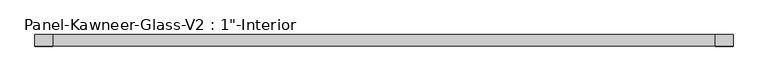
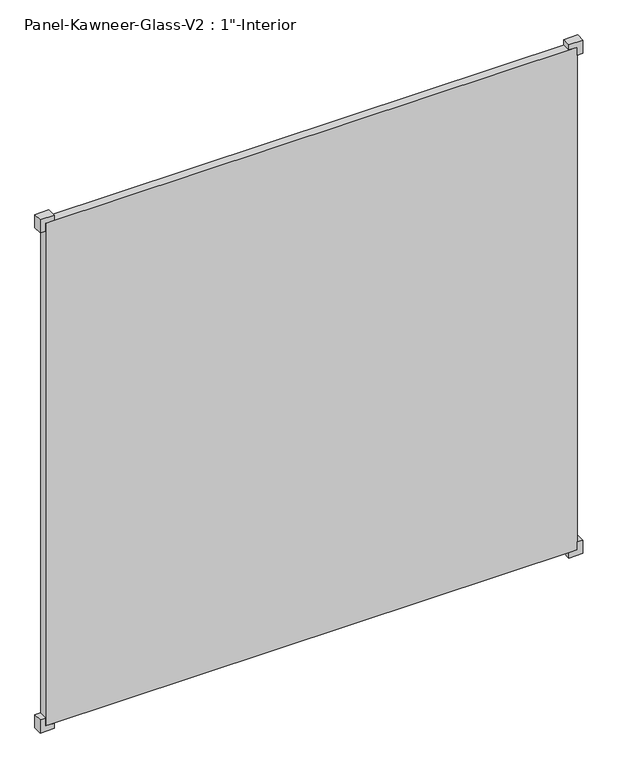
"""IFC4 building model written with IfcOpenShell, lengths in millimetres: plate geometry."""

from ifc_helpers import new_model, si_unit, frame, origin, origin_with_axes, place, context, project, spatial, polyline, outline, extrude, source, transform, mapped, element, save


def plate_3675e8c3(model_context):
    return source(origin(), model_context, "Body", "SweptSolid", [
        extrude(outline(polyline([(-15.875, 730.25), (-15.875, 769.9375), (23.8125, 769.9375), (23.8125, 754.0625), (0.0, 754.0625), (0.0, 730.25), (-15.875, 730.25)])), frame((0.0, -12.7327949, 0.0), z_axis=(0.0, 1.0, 0.0), x_axis=(0.0, 0.0, 1.0)), (0.0, 0.0, 1.0), 25.4),
        extrude(outline(polyline([(-15.875, -730.25), (0.0, -730.25), (0.0, -754.0625), (23.8125, -754.0625), (23.8125, -769.9375), (-15.875, -769.9375), (-15.875, -730.25)])), frame((0.0, -12.7327949, 0.0), z_axis=(0.0, 1.0, 0.0), x_axis=(0.0, 0.0, 1.0)), (0.0, 0.0, 1.0), 25.4),
        extrude(outline(polyline([(1524.0, 730.25), (1508.125, 730.25), (1508.125, 754.0625), (1484.3125, 754.0625), (1484.3125, 769.9375), (1524.0, 769.9375), (1524.0, 730.25)])), frame((0.0, -12.7327949, 0.0), z_axis=(0.0, 1.0, 0.0), x_axis=(0.0, 0.0, 1.0)), (0.0, 0.0, 1.0), 25.4),
        extrude(outline(polyline([(1524.0, -730.25), (1524.0, -769.9375), (1484.3125, -769.9375), (1484.3125, -754.0625), (1508.125, -754.0625), (1508.125, -730.25), (1524.0, -730.25)])), frame((0.0, -12.7327949, 0.0), z_axis=(0.0, 1.0, 0.0), x_axis=(0.0, 0.0, 1.0)), (0.0, 0.0, 1.0), 25.4),
        extrude(outline(polyline([(754.0625, 12.6672051), (754.0625, -12.7327949), (-754.0625, -12.7327949), (-754.0625, 12.6672051), (754.0625, 12.6672051)])), origin_with_axes(), (0.0, 0.0, 1.0), 1508.125),
    ])


if __name__ == "__main__":
    model = new_model("IFC4")
    model_context = context("Model", 3, world=origin())
    ifc_project = project(units=[si_unit("LENGTHUNIT", "METRE", prefix="MILLI")], contexts=[model_context])
    site = spatial("IfcSite", under=ifc_project)
    building = spatial("IfcBuilding", under=site)
    placement = place(None, origin())
    plate_shape = plate_3675e8c3(model_context)
    element("IfcPlate", 1, ObjectType="Panel-Kawneer-Glass-V2 : 1\"-Interior", at=placement, inside=building, context=model_context, shape_type="MappedRepresentation", body=[
        mapped(plate_shape, transform((0.0, 0.0, 0.0), x_axis=(1.0, 0.0, 0.0), y_axis=(0.0, 1.0, 0.0), z_axis=(0.0, 0.0, 1.0))),
    ])
    save(model, "model.ifc")
